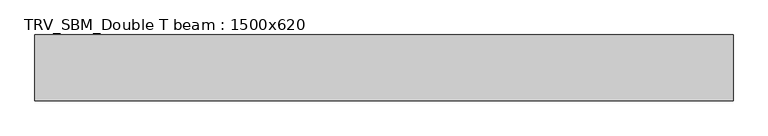
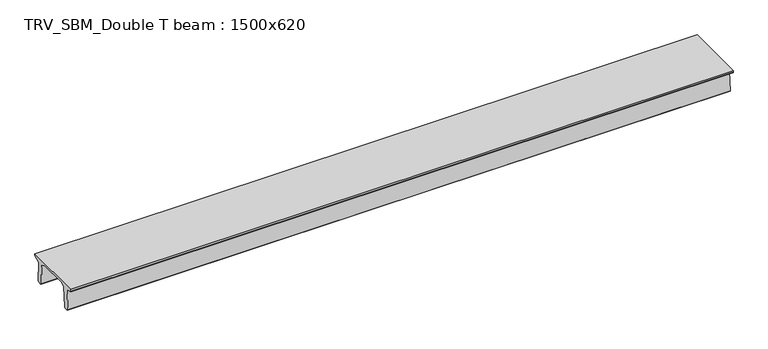
"""IFC4 building model written with IfcOpenShell, lengths in millimetres: beam geometry, TRV_SBM_Double T beam : 1500x620."""

from ifc_helpers import new_model, si_unit, frame, origin, place, context, project, spatial, polyline, outline, extrude, source, transform, mapped, element, save


def trv_sbm_double_t_beam_1500x620_d0b5b2ab(model_context):
    return source(origin(), model_context, "Body", "SweptSolid", [
        extrude(outline(polyline([(-765.0, 215.0), (-765.0, 260.0), (735.0, 260.0), (735.0, 215.0), (728.2094488, 201.315559), (578.0626443, 140.6523122), (594.8277662, -339.4379646), (574.2657308, -360.0), (484.2657308, -360.0), (464.786332, -340.5206011), (447.8600761, 144.18395), (338.3237744, 210.0), (-367.4555014, 210.0), (-476.5389732, 151.9992892), (-507.0080378, -339.3850967), (-527.622941, -360.0), (-615.122941, -360.0), (-637.1143055, -338.0086356), (-606.1572167, 162.687806), (-761.3068466, 204.260024), (-765.0, 215.0)])), frame((-7925.0, 0.0, 0.0), z_axis=(1.0, 0.0, 0.0), x_axis=(0.0, 1.0, 0.0)), (0.0, 0.0, 1.0), 15927.0),
    ])


if __name__ == "__main__":
    model = new_model("IFC4")
    model_context = context("Model", 3, world=origin())
    ifc_project = project(units=[si_unit("LENGTHUNIT", "METRE", prefix="MILLI")], contexts=[model_context])
    site = spatial("IfcSite", under=ifc_project)
    building = spatial("IfcBuilding", under=site)
    placement = place(None, origin())
    trv_sbm_double_t_beam_1500x620_shape = trv_sbm_double_t_beam_1500x620_d0b5b2ab(model_context)
    element("IfcBeam", 1, ObjectType="TRV_SBM_Double T beam : 1500x620", at=placement, inside=building, context=model_context, shape_type="MappedRepresentation", body=[
        mapped(trv_sbm_double_t_beam_1500x620_shape, transform((0.0, 0.0, 0.0), x_axis=(1.0, 0.0, 0.0), y_axis=(0.0, 1.0, 0.0), z_axis=(0.0, 0.0, 1.0))),
    ])
    save(model, "model.ifc")
